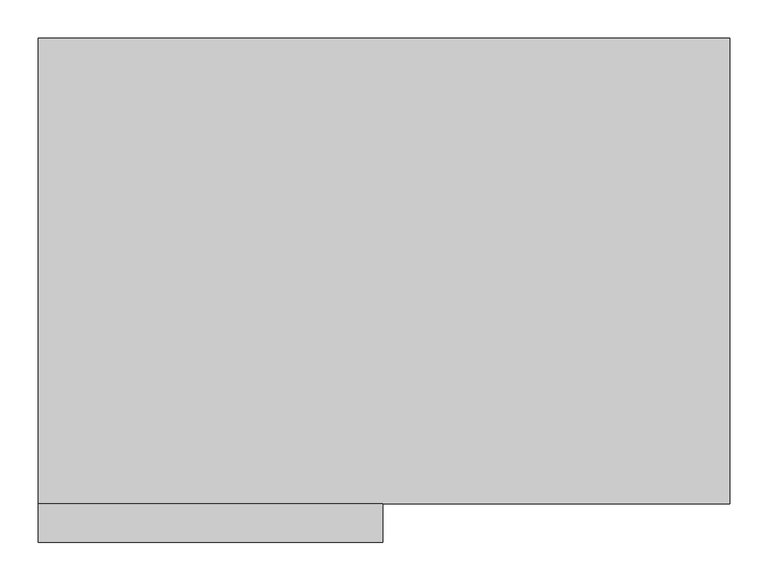
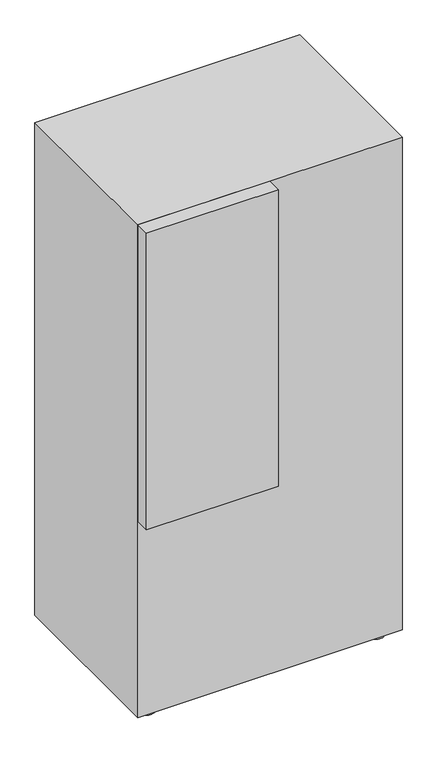
"""IFC4 building model written with IfcOpenShell, lengths in millimetres: proxy geometry."""

from ifc_helpers import new_model, si_unit, point, frame, frame_2d, origin, origin_with_axes, place, context, project, spatial, polyline, circle_curve, trimmed, segment, composite_curve, outline, extrude, source, transform, mapped, element, save


def specialty_equipment_4e98ce2d(model_context):
    return source(origin(), model_context, "Body", "SweptSolid", [
        extrude(outline(polyline([(-1.5525522, -355.6), (-452.4375, -355.6), (-452.4375, -304.8), (-1.5525522, -304.8), (-1.5525522, -355.6)])), frame((0.0, 0.0, 735.0125), z_axis=(0.0, 0.0, 1.0), x_axis=(1.0, 0.0, 0.0)), (0.0, 0.0, 1.0), 1071.5625),
        extrude(outline(composite_curve([segment(trimmed(circle_curve(frame_2d((-392.1125, -254.0)), 12.7), [point((-404.8125, -254.0))], [point((-379.4125, -254.0))], False, "CARTESIAN"), True, "CONTINUOUS"), segment(trimmed(circle_curve(frame_2d((-392.1125, -254.0)), 12.7), [point((-379.4125, -254.0))], [point((-404.8125, -254.0))], False, "CARTESIAN"), True, "CONTINUOUS")], self_intersect=False)), frame((0.0, 0.0, 6.35), z_axis=(0.0, 0.0, 1.0), x_axis=(1.0, 0.0, 0.0)), (0.0, 0.0, 1.0), 19.05),
        extrude(outline(composite_curve([segment(trimmed(circle_curve(frame_2d((-392.1125, -254.0)), 25.4), [point((-417.5125, -254.0))], [point((-366.7125, -254.0))], False, "CARTESIAN"), True, "CONTINUOUS"), segment(trimmed(circle_curve(frame_2d((-392.1125, -254.0)), 25.4), [point((-366.7125, -254.0))], [point((-417.5125, -254.0))], False, "CARTESIAN"), True, "CONTINUOUS")], self_intersect=False)), origin_with_axes(), (0.0, 0.0, 1.0), 6.35),
        extrude(outline(composite_curve([segment(trimmed(circle_curve(frame_2d((392.1125, -254.0)), 12.7), [point((379.4125, -254.0))], [point((404.8125, -254.0))], False, "CARTESIAN"), True, "CONTINUOUS"), segment(trimmed(circle_curve(frame_2d((392.1125, -254.0)), 12.7), [point((404.8125, -254.0))], [point((379.4125, -254.0))], False, "CARTESIAN"), True, "CONTINUOUS")], self_intersect=False)), frame((0.0, 0.0, 6.35), z_axis=(0.0, 0.0, 1.0), x_axis=(1.0, 0.0, 0.0)), (0.0, 0.0, 1.0), 19.05),
        extrude(outline(composite_curve([segment(trimmed(circle_curve(frame_2d((392.1125, -254.0)), 25.4), [point((366.7125, -254.0))], [point((417.5125, -254.0))], False, "CARTESIAN"), True, "CONTINUOUS"), segment(trimmed(circle_curve(frame_2d((392.1125, -254.0)), 25.4), [point((417.5125, -254.0))], [point((366.7125, -254.0))], False, "CARTESIAN"), True, "CONTINUOUS")], self_intersect=False)), origin_with_axes(), (0.0, 0.0, 1.0), 6.35),
        extrude(outline(composite_curve([segment(trimmed(circle_curve(frame_2d((392.1125, 254.0)), 12.7), [point((379.4125, 254.0))], [point((404.8125, 254.0))], False, "CARTESIAN"), True, "CONTINUOUS"), segment(trimmed(circle_curve(frame_2d((392.1125, 254.0)), 12.7), [point((404.8125, 254.0))], [point((379.4125, 254.0))], False, "CARTESIAN"), True, "CONTINUOUS")], self_intersect=False)), frame((0.0, 0.0, 6.35), z_axis=(0.0, 0.0, 1.0), x_axis=(1.0, 0.0, 0.0)), (0.0, 0.0, 1.0), 19.05),
        extrude(outline(composite_curve([segment(trimmed(circle_curve(frame_2d((392.1125, 254.0)), 25.4), [point((366.7125, 254.0))], [point((417.5125, 254.0))], False, "CARTESIAN"), True, "CONTINUOUS"), segment(trimmed(circle_curve(frame_2d((392.1125, 254.0)), 25.4), [point((417.5125, 254.0))], [point((366.7125, 254.0))], False, "CARTESIAN"), True, "CONTINUOUS")], self_intersect=False)), origin_with_axes(), (0.0, 0.0, 1.0), 6.35),
        extrude(outline(composite_curve([segment(trimmed(circle_curve(frame_2d((-392.1125, 254.0)), 12.7), [point((-404.8125, 254.0))], [point((-379.4125, 254.0))], False, "CARTESIAN"), True, "CONTINUOUS"), segment(trimmed(circle_curve(frame_2d((-392.1125, 254.0)), 12.7), [point((-379.4125, 254.0))], [point((-404.8125, 254.0))], False, "CARTESIAN"), True, "CONTINUOUS")], self_intersect=False)), frame((0.0, 0.0, 6.35), z_axis=(0.0, 0.0, 1.0), x_axis=(1.0, 0.0, 0.0)), (0.0, 0.0, 1.0), 19.05),
        extrude(outline(composite_curve([segment(trimmed(circle_curve(frame_2d((-392.1125, 254.0)), 25.4), [point((-417.5125, 254.0))], [point((-366.7125, 254.0))], False, "CARTESIAN"), True, "CONTINUOUS"), segment(trimmed(circle_curve(frame_2d((-392.1125, 254.0)), 25.4), [point((-366.7125, 254.0))], [point((-417.5125, 254.0))], False, "CARTESIAN"), True, "CONTINUOUS")], self_intersect=False)), origin_with_axes(), (0.0, 0.0, 1.0), 6.35),
        extrude(outline(polyline([(452.4375, 304.8), (452.4375, -304.8), (-452.4375, -304.8), (-452.4375, 304.8), (452.4375, 304.8)])), frame((0.0, 0.0, 25.4), z_axis=(0.0, 0.0, 1.0), x_axis=(1.0, 0.0, 0.0)), (0.0, 0.0, 1.0), 1781.175),
        extrude(outline(polyline([(411.1625, 254.0), (392.1125, 254.0), (392.1125, 304.8), (411.1625, 304.8), (411.1625, 254.0)])), frame((0.0, 0.0, 1660.525), z_axis=(0.0, 0.0, 1.0), x_axis=(1.0, 0.0, 0.0)), (0.0, 0.0, 1.0), 19.05),
        extrude(outline(composite_curve([segment(trimmed(circle_curve(frame_2d((50.8, -392.1125)), 6.35), [point((50.8, -398.4625))], [point((50.8, -385.7625))], False, "CARTESIAN"), True, "CONTINUOUS"), segment(trimmed(circle_curve(frame_2d((50.8, -392.1125)), 6.35), [point((50.8, -385.7625))], [point((50.8, -398.4625))], False, "CARTESIAN"), True, "CONTINUOUS")], self_intersect=False)), frame((0.0, 254.0, 0.0), z_axis=(0.0, 1.0, 0.0), x_axis=(0.0, 0.0, 1.0)), (0.0, 0.0, 1.0), 50.8),
    ])


if __name__ == "__main__":
    model = new_model("IFC4")
    model_context = context("Model", 3, world=origin())
    ifc_project = project(units=[si_unit("LENGTHUNIT", "METRE", prefix="MILLI")], contexts=[model_context])
    site = spatial("IfcSite", under=ifc_project)
    building = spatial("IfcBuilding", under=site)
    placement = place(None, origin())
    specialty_equipment_shape = specialty_equipment_4e98ce2d(model_context)
    element("IfcBuildingElementProxy", 1, Name="Specialty Equipment", at=placement, inside=building, context=model_context, shape_type="MappedRepresentation", body=[
        mapped(specialty_equipment_shape, transform((0.0, 0.0, 0.0), x_axis=(1.0, 0.0, 0.0), y_axis=(0.0, 1.0, 0.0), z_axis=(0.0, 0.0, 1.0))),
    ])
    save(model, "model.ifc")
